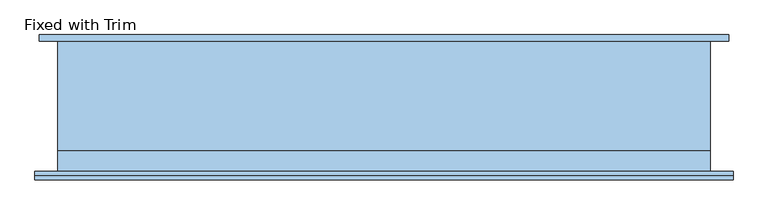
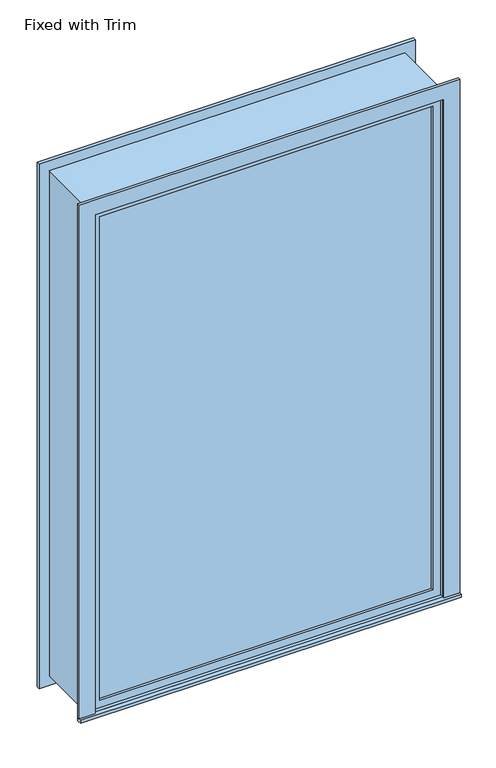
"""IFC4 building model written with IfcOpenShell, lengths in millimetres: window geometry, Fixed with Trim."""

from ifc_helpers import new_model, si_unit, frame, origin, place, context, project, spatial, polyline, outline, extrude, source, transform, mapped, element, save


def fixed_with_trim_20bff628(model_context):
    return source(origin(), model_context, "Body", "SweptSolid", [
        extrude(outline(polyline([(-1107.95, -225.4), (-1107.95, -200.0), (1031.75, -200.0), (1031.75, -225.4), (-1107.95, -225.4)])), frame((0.0, 0.0, 914.4), z_axis=(0.0, 0.0, 1.0), x_axis=(1.0, 0.0, 0.0)), (0.0, 0.0, 1.0), 19.05),
        extrude(outline(polyline([(3895.35, -1019.05), (3895.35, 942.85), (933.45, 942.85), (933.45, 1031.75), (3984.25, 1031.75), (3984.25, -1107.95), (933.45, -1107.95), (933.45, -1019.05), (3895.35, -1019.05)])), frame((0.0, -212.7, 0.0), z_axis=(0.0, 1.0, 0.0), x_axis=(0.0, 0.0, 1.0)), (0.0, 0.0, 1.0), 12.7),
        extrude(outline(polyline([(3971.55, 1019.05), (3971.55, -1095.25), (857.25, -1095.25), (857.25, 1019.05), (3971.55, 1019.05)]), holes=[polyline([(3882.65, 930.15), (946.15, 930.15), (946.15, -1006.35), (3882.65, -1006.35), (3882.65, 930.15)])]), frame((0.0, 200.0, 0.0), z_axis=(0.0, 1.0, 0.0), x_axis=(0.0, 0.0, 1.0)), (0.0, 0.0, 1.0), 19.05),
        extrude(outline(polyline([(898.4, -152.375), (898.4, -165.075), (-974.6, -165.075), (-974.6, -152.375), (898.4, -152.375)])), frame((0.0, 0.0, 977.9), z_axis=(0.0, 0.0, 1.0), x_axis=(1.0, 0.0, 0.0)), (0.0, 0.0, 1.0), 2873.0),
        extrude(outline(polyline([(3895.35, -1019.05), (933.45, -1019.05), (933.45, 942.85), (3895.35, 942.85), (3895.35, -1019.05)]), holes=[polyline([(3850.9, -974.6), (3850.9, 898.4), (977.9, 898.4), (977.9, -974.6), (3850.9, -974.6)])]), frame((0.0, -180.95, 0.0), z_axis=(0.0, 1.0, 0.0), x_axis=(0.0, 0.0, 1.0)), (0.0, 0.0, 1.0), 44.45),
        extrude(outline(polyline([(3914.4, -1038.1), (914.4, -1038.1), (914.4, 961.9), (3914.4, 961.9), (3914.4, -1038.1)]), holes=[polyline([(3882.65, -1006.35), (3882.65, 930.15), (946.15, 930.15), (946.15, -1006.35), (3882.65, -1006.35)])]), frame((0.0, -136.5, 0.0), z_axis=(0.0, 1.0, 0.0), x_axis=(0.0, 0.0, 1.0)), (0.0, 0.0, 1.0), 336.5),
        extrude(outline(polyline([(3914.4, 961.9), (3914.4, -1038.1), (914.4, -1038.1), (914.4, 961.9), (3914.4, 961.9)]), holes=[polyline([(3895.35, 942.85), (933.45, 942.85), (933.45, -1019.05), (3895.35, -1019.05), (3895.35, 942.85)])]), frame((0.0, -200.0, 0.0), z_axis=(0.0, 1.0, 0.0), x_axis=(0.0, 0.0, 1.0)), (0.0, 0.0, 1.0), 63.5),
    ])


if __name__ == "__main__":
    model = new_model("IFC4")
    model_context = context("Model", 3, world=origin())
    ifc_project = project(units=[si_unit("LENGTHUNIT", "METRE", prefix="MILLI")], contexts=[model_context])
    site = spatial("IfcSite", under=ifc_project)
    building = spatial("IfcBuilding", under=site)
    placement = place(None, origin())
    fixed_with_trim_shape = fixed_with_trim_20bff628(model_context)
    element("IfcWindow", 1, ObjectType="Fixed with Trim", at=placement, inside=building, context=model_context, shape_type="MappedRepresentation", body=[
        mapped(fixed_with_trim_shape, transform((0.0, 0.0, 0.0), x_axis=(1.0, 0.0, 0.0), y_axis=(0.0, 1.0, 0.0), z_axis=(0.0, 0.0, 1.0))),
    ])
    save(model, "model.ifc")
